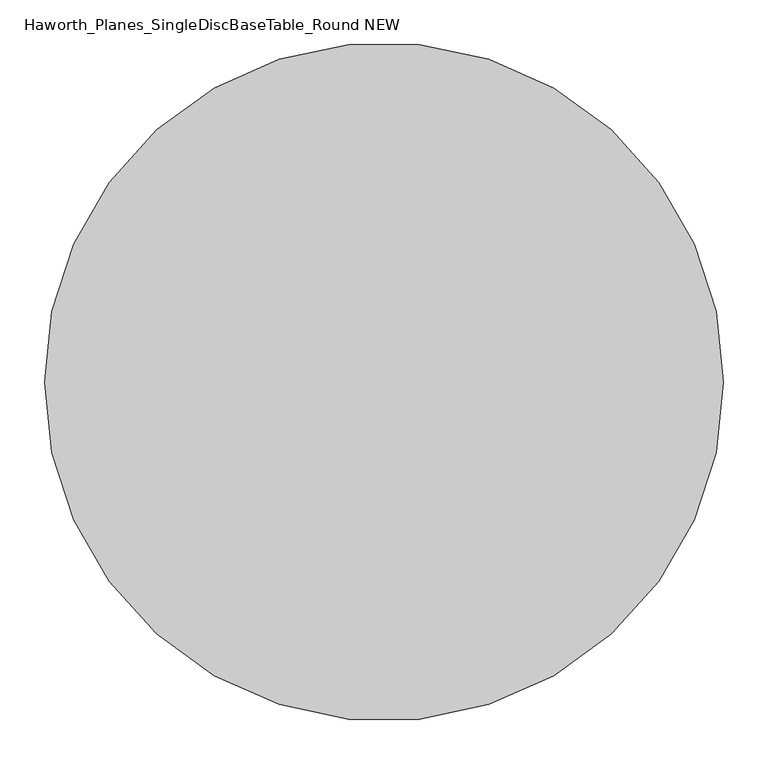
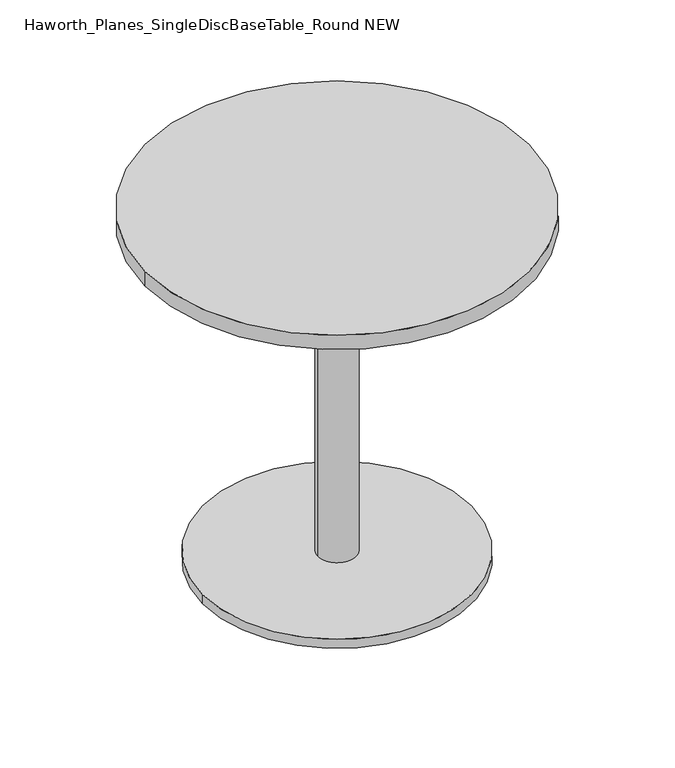
"""IFC4 building model written with IfcOpenShell, lengths in millimetres: furniture geometry, Haworth_Planes_SingleDiscBaseTable_Round NEW."""

from ifc_helpers import new_model, si_unit, point, frame, frame_2d, origin, origin_with_axes, place, context, project, spatial, circle_curve, trimmed, segment, composite_curve, outline, extrude, source, transform, mapped, element, save


def haworth_planes_singlediscbasetable_round_new_5890ecfa(model_context):
    return source(origin(), model_context, "Body", "SweptSolid", [
        extrude(outline(composite_curve([segment(trimmed(circle_curve(frame_2d((-381.0, -4.0299408)), 266.7), [point((-647.7, -4.0299408))], [point((-114.3, -4.0299408))], False, "CARTESIAN"), True, "CONTINUOUS"), segment(trimmed(circle_curve(frame_2d((-381.0, -4.0299408)), 266.7), [point((-114.3, -4.0299408))], [point((-647.7, -4.0299408))], False, "CARTESIAN"), True, "CONTINUOUS")], self_intersect=False)), origin_with_axes(), (0.0, 0.0, 1.0), 19.05),
        extrude(outline(composite_curve([segment(trimmed(circle_curve(frame_2d((-381.0, -4.0299408)), 38.1), [point((-419.1, -4.0299408))], [point((-342.9, -4.0299408))], False, "CARTESIAN"), True, "CONTINUOUS"), segment(trimmed(circle_curve(frame_2d((-381.0, -4.0299408)), 38.1), [point((-342.9, -4.0299408))], [point((-419.1, -4.0299408))], False, "CARTESIAN"), True, "CONTINUOUS")], self_intersect=False)), frame((0.0, 0.0, 19.05), z_axis=(0.0, 0.0, 1.0), x_axis=(1.0, 0.0, 0.0)), (0.0, 0.0, 1.0), 687.3875),
        extrude(outline(composite_curve([segment(trimmed(circle_curve(frame_2d((-381.0, -4.0299408)), 381.0), [point((-762.0, -4.0299408))], [point((0.0, -4.0299408))], False, "CARTESIAN"), True, "CONTINUOUS"), segment(trimmed(circle_curve(frame_2d((-381.0, -4.0299408)), 381.0), [point((0.0, -4.0299408))], [point((-762.0, -4.0299408))], False, "CARTESIAN"), True, "CONTINUOUS")], self_intersect=False)), frame((0.0, 0.0, 706.4375), z_axis=(0.0, 0.0, 1.0), x_axis=(1.0, 0.0, 0.0)), (0.0, 0.0, 1.0), 30.1625),
    ])


if __name__ == "__main__":
    model = new_model("IFC4")
    model_context = context("Model", 3, world=origin())
    ifc_project = project(units=[si_unit("LENGTHUNIT", "METRE", prefix="MILLI")], contexts=[model_context])
    site = spatial("IfcSite", under=ifc_project)
    building = spatial("IfcBuilding", under=site)
    placement = place(None, origin())
    haworth_planes_singlediscbasetable_round_new_shape = haworth_planes_singlediscbasetable_round_new_5890ecfa(model_context)
    element("IfcFurniture", 1, ObjectType="Haworth_Planes_SingleDiscBaseTable_Round NEW", at=placement, inside=building, context=model_context, shape_type="MappedRepresentation", body=[
        mapped(haworth_planes_singlediscbasetable_round_new_shape, transform((0.0, 0.0, 0.0), x_axis=(1.0, 0.0, 0.0), y_axis=(0.0, 1.0, 0.0), z_axis=(0.0, 0.0, 1.0))),
    ])
    save(model, "model.ifc")
